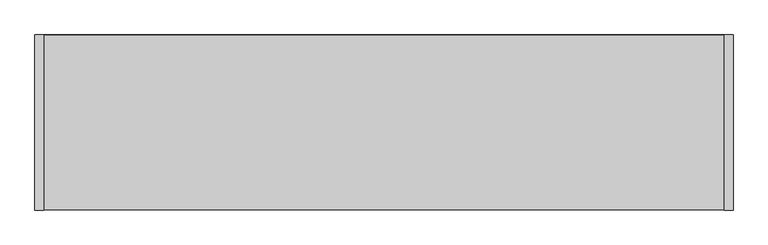
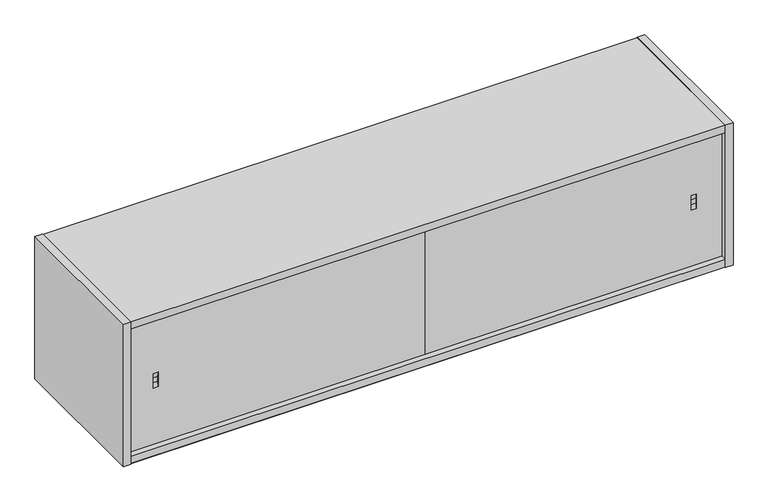
"""IFC4 building model written with IfcOpenShell, lengths in millimetres: furniture geometry."""

from ifc_helpers import new_model, si_unit, frame, origin, place, context, project, spatial, polyline, outline, extrude, faceted_brep, source, transform, mapped, element, save


def furniture_c680e2f6(model_context):
    return source(origin(), model_context, "Body", "SolidModel", [
        faceted_brep([(98.0439973, -363.9830881, 1509.3728122), (98.0439973, -363.9830881, 1496.5647822), (98.0439973, -366.0139961, 1483.9188063), (98.0439973, -366.0139961, 1522.0188063), (85.3440004, -363.9830881, 1509.3728122), (85.3440004, -366.0139961, 1522.0188063), (85.3440004, -366.0139961, 1483.9188063), (85.3440004, -363.9830881, 1496.5647822), (762.0, -356.4889961, 1335.7098114), (762.0, -356.4889961, 1670.2278012), (762.0, -366.0139961, 1670.2278012), (762.0, -366.0139961, 1335.7098114), (21.8439996, -356.4889961, 1335.7098114), (21.8439996, -366.0139961, 1335.7098114), (21.8439996, -366.0139961, 1670.2278012), (21.8439996, -356.4889961, 1670.2278012)], [[[0, 1, 2, 3]], [[4, 5, 6, 7]], [[0, 3, 5, 4]], [[2, 1, 7, 6]], [[1, 0, 4, 7]], [[8, 9, 10, 11]], [[12, 13, 14, 15]], [[9, 8, 12, 15]], [[10, 9, 15, 14]], [[11, 10, 14, 13], [3, 2, 6, 5]], [[8, 11, 13, 12]]]),
        faceted_brep([(1502.1560004, -356.4889961, 1670.2278012), (1502.1560004, -366.0139961, 1670.2278012), (1502.1560004, -366.0139961, 1335.7098114), (1502.1560004, -356.4889961, 1335.7098114), (762.0, -356.4889961, 1670.2278012), (762.0, -356.4889961, 1335.7098114), (762.0, -366.0139961, 1335.7098114), (762.0, -366.0139961, 1670.2278012), (1425.9560027, -366.0139961, 1483.9188063), (1425.9560027, -366.0139961, 1522.0188063), (1438.6559996, -366.0139961, 1522.0188063), (1438.6559996, -366.0139961, 1483.9188063), (1425.9560027, -363.9830881, 1509.3728122), (1425.9560027, -363.9830881, 1496.5647822), (1438.6559996, -363.9830881, 1509.3728122), (1438.6559996, -363.9830881, 1496.5647822)], [[[0, 1, 2, 3]], [[4, 5, 6, 7]], [[1, 0, 4, 7]], [[2, 1, 7, 6], [8, 9, 10, 11]], [[3, 2, 6, 5]], [[0, 3, 5, 4]], [[12, 9, 8, 13]], [[14, 15, 11, 10]], [[9, 12, 14, 10]], [[13, 8, 11, 15]], [[12, 13, 15, 14]]]),
        extrude(outline(polyline([(21.8439996, -381.0), (2.5400001, -381.0), (2.5400001, 0.0), (21.8439996, 0.0), (21.8439996, -381.0)])), frame((0.0, 0.0, 1314.8818002), z_axis=(0.0, 0.0, 1.0), x_axis=(1.0, 0.0, 0.0)), (0.0, 0.0, 1.0), 375.412),
        extrude(outline(polyline([(0.0, 1587.6777982), (-11.938, 1599.6157959), (-11.938, 1670.2278012), (0.0, 1670.2278012), (0.0, 1587.6777982)])), frame((21.8439996, 0.0, 0.0), z_axis=(1.0, 0.0, 0.0), x_axis=(0.0, 1.0, 0.0)), (0.0, 0.0, 1.0), 1480.3120008),
        extrude(outline(polyline([(771.6520271, -346.0749879), (752.3479729, -346.0749879), (752.3479729, -31.2419997), (771.6520271, -31.2419997), (771.6520271, -346.0749879)])), frame((0.0, 0.0, 1334.9478002), z_axis=(0.0, 0.0, 1.0), x_axis=(1.0, 0.0, 0.0)), (0.0, 0.0, 1.0), 335.280001),
        extrude(outline(polyline([(1502.1560004, -380.2379826), (21.8439996, -380.2379826), (21.8439996, -0.762), (1502.1560004, -0.762), (1502.1560004, -380.2379826)])), frame((0.0, 0.0, 1316.4057934), z_axis=(0.0, 0.0, 1.0), x_axis=(1.0, 0.0, 0.0)), (0.0, 0.0, 1.0), 19.3040179),
        extrude(outline(polyline([(1502.1560004, -11.938), (1502.1560004, -31.2419997), (21.8439996, -31.2419997), (21.8439996, -11.938), (1502.1560004, -11.938)])), frame((0.0, 0.0, 1334.9478002), z_axis=(0.0, 0.0, 1.0), x_axis=(1.0, 0.0, 0.0)), (0.0, 0.0, 1.0), 335.280001),
        extrude(outline(polyline([(1502.1560004, -380.2379826), (21.8439996, -380.2379826), (21.8439996, -31.2419997), (1502.1560004, -31.2419997), (1502.1560004, -380.2379826)])), frame((0.0, 0.0, 1315.6438002), z_axis=(0.0, 0.0, 1.0), x_axis=(1.0, 0.0, 0.0)), (0.0, 0.0, 1.0), 19.304),
        extrude(outline(polyline([(1521.4600024, -381.0), (1502.1560004, -381.0), (1502.1560004, 0.0), (1521.4600024, 0.0), (1521.4600024, -381.0)])), frame((0.0, 0.0, 1314.8818002), z_axis=(0.0, 0.0, 1.0), x_axis=(1.0, 0.0, 0.0)), (0.0, 0.0, 1.0), 375.412),
        extrude(outline(polyline([(1502.1560004, -380.2379826), (21.8439996, -380.2379826), (21.8439996, -0.762), (1502.1560004, -0.762), (1502.1560004, -380.2379826)])), frame((0.0, 0.0, 1670.2278012), z_axis=(0.0, 0.0, 1.0), x_axis=(1.0, 0.0, 0.0)), (0.0, 0.0, 1.0), 19.303999),
    ])


if __name__ == "__main__":
    model = new_model("IFC4")
    model_context = context("Model", 3, world=origin())
    ifc_project = project(units=[si_unit("LENGTHUNIT", "METRE", prefix="MILLI")], contexts=[model_context])
    site = spatial("IfcSite", under=ifc_project)
    building = spatial("IfcBuilding", under=site)
    placement = place(None, origin())
    furniture_shape = furniture_c680e2f6(model_context)
    element("IfcFurniture", 1, at=placement, inside=building, context=model_context, shape_type="MappedRepresentation", body=[
        mapped(furniture_shape, transform((0.0, 0.0, 0.0), x_axis=(1.0, 0.0, 0.0), y_axis=(0.0, 1.0, 0.0), z_axis=(0.0, 0.0, 1.0))),
    ])
    save(model, "model.ifc")
